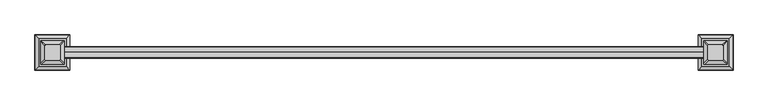
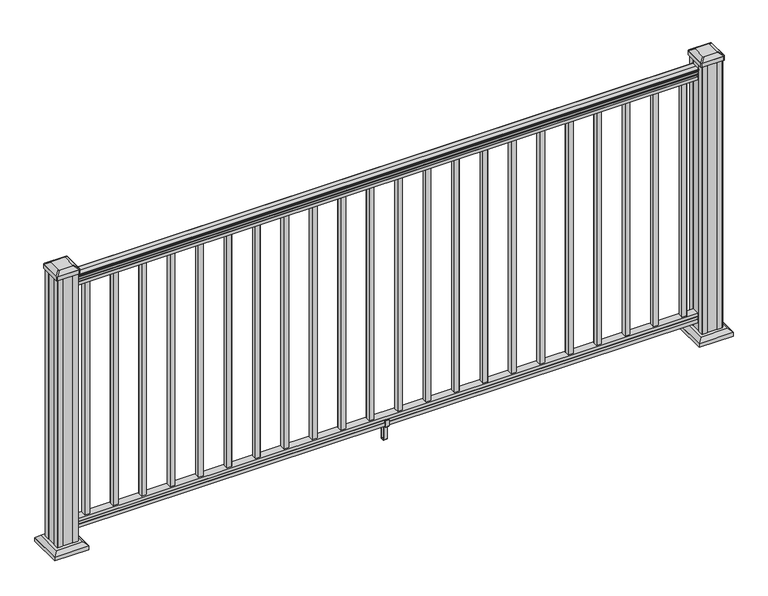
"""IFC4 building model written with IfcOpenShell, lengths in millimetres: railing geometry."""

from ifc_helpers import new_model, si_unit, point, frame, frame_2d, origin, origin_with_axes, place, context, project, spatial, polyline, circle_curve, trimmed, segment, composite_curve, outline, extrude, faceted_brep, source, transform, mapped, element, save
from ifc_brep_helpers import plane_surface, cylinder_surface, revolved_surface, extruded_surface, advanced_brep


def railing_2ec50359(model_context):
    return source(origin(), model_context, "Body", "SolidModel", [
        advanced_brep(
        [(14898.2844021, -7597.7092591, 1090.8043297), (14898.2844021, -7600.2830879, 1090.8043297), (14898.2844021, -7600.2830879, 1080.147013), (14898.2844021, -7599.2670879, 1079.131013), (14898.2844021, -7599.2670879, 1066.8), (14898.2844021, -7631.0170879, 1066.8), (14898.2844021, -7631.0170879, 1079.2888283), (14898.2844021, -7630.0010879, 1080.3048283), (14898.2844021, -7630.0010879, 1090.8043297), (14898.2844021, -7632.5749166, 1090.8043297), (14898.2844021, -7632.5749166, 1092.692412), (14898.2844021, -7633.7051029, 1094.2546695), (14898.2844021, -7633.7051029, 1101.4726458), (14898.2844021, -7633.0558465, 1103.9060812), (14898.2844021, -7635.5558465, 1108.2362083), (14898.2844021, -7636.9651889, 1109.9157972), (14898.2844021, -7637.3670879, 1111.0205318), (14898.2844021, -7637.3670879, 1112.3608158), (14898.2844021, -7635.8136406, 1113.914263), (14898.2844021, -7615.1420879, 1113.914263), (14898.2844021, -7594.4705351, 1113.914263), (14898.2844021, -7592.9170879, 1112.3608158), (14898.2844021, -7592.9170879, 1111.0205318), (14898.2844021, -7593.3189868, 1109.9157972), (14898.2844021, -7594.7283292, 1108.2362083), (14898.2844021, -7597.2283292, 1103.9060812), (14898.2844021, -7596.5790728, 1101.4726458), (14898.2844021, -7596.5790728, 1094.2546695), (14898.2844021, -7597.7092591, 1092.692412), (17336.6844021, -7597.7092591, 1090.8043297), (17336.6844021, -7597.7092591, 1092.692412), (17336.6844021, -7596.5790728, 1094.2546695), (17336.6844021, -7596.5790728, 1101.4726458), (17336.6844021, -7597.2283292, 1103.9060812), (17336.6844021, -7594.7283292, 1108.2362083), (17336.6844021, -7593.3189868, 1109.9157972), (17336.6844021, -7592.9170878, 1111.0205318), (17336.6844021, -7592.9170879, 1112.3608158), (17336.6844021, -7594.4705351, 1113.914263), (17336.6844021, -7615.1420879, 1113.914263), (17336.6844021, -7635.8136406, 1113.914263), (17336.6844021, -7637.3670879, 1112.3608158), (17336.6844021, -7637.3670879, 1111.0205318), (17336.6844021, -7636.9651889, 1109.9157972), (17336.6844021, -7635.5558465, 1108.2362083), (17336.6844021, -7633.0558465, 1103.9060812), (17336.6844021, -7633.7051029, 1101.4726458), (17336.6844021, -7633.7051029, 1094.2546695), (17336.6844021, -7632.5749166, 1092.692412), (17336.6844021, -7632.5749166, 1090.8043297), (17336.6844021, -7630.0010879, 1090.8043297), (17336.6844021, -7630.0010879, 1080.3048283), (17336.6844021, -7631.0170879, 1079.2888283), (17336.6844021, -7631.0170879, 1066.8), (17336.6844021, -7599.2670879, 1066.8), (17336.6844021, -7599.2670879, 1079.131013), (17336.6844021, -7600.2830879, 1080.147013), (17336.6844021, -7600.2830879, 1090.8043297)],
        [
            (0, 1, circle_curve(frame((14898.2844021, -7598.9961735, 1090.8043297), z_axis=(-1.0, 0.0, 0.0), x_axis=(0.0, -1.0, 0.0)), 1.2869144)),
            (1, 2),
            (2, 3),
            (3, 4),
            (4, 5),
            (5, 6),
            (6, 7),
            (7, 8),
            (8, 9, circle_curve(frame((14898.2844021, -7631.2880022, 1090.8043297), z_axis=(-1.0, 0.0, 0.0), x_axis=(0.0, 1.0, 0.0)), 1.2869144)),
            (9, 10),
            (10, 11, circle_curve(frame((14898.2844021, -7626.2601633, 1098.4506383), z_axis=(-1.0, 0.0, 0.0), x_axis=(0.0, 1.0, 0.0)), 8.545951)),
            (11, 12, circle_curve(frame((14898.2844021, -7626.6972263, 1097.8636577), z_axis=(-1.0, 0.0, 0.0), x_axis=(0.0, 1.0, 0.0)), 7.882584)),
            (12, 13, circle_curve(frame((14898.2844021, -7637.2105504, 1103.7112527), z_axis=(1.0, 0.0, 0.0), x_axis=(0.0, 1.0, 0.0)), 4.1592695)),
            (13, 14, circle_curve(frame((14898.2844021, -7638.497857, 1103.6508864), z_axis=(1.0, 0.0, 0.0), x_axis=(0.0, 1.0, 0.0)), 5.4479907)),
            (14, 15, circle_curve(frame((14898.2844021, -7637.2646985, 1108.233395), z_axis=(1.0, 0.0, 0.0), x_axis=(0.0, 1.0, 0.0)), 1.7088543)),
            (15, 16, circle_curve(frame((14898.2844021, -7635.6477984, 1111.0205318), z_axis=(-1.0, 0.0, 0.0), x_axis=(0.0, 1.0, 0.0)), 1.7192895)),
            (16, 17),
            (17, 18, circle_curve(frame((14898.2844021, -7635.8136406, 1112.3608158), z_axis=(-1.0, 0.0, 0.0), x_axis=(0.0, 1.0, 0.0)), 1.5534472)),
            (18, 19),
            (19, 20),
            (20, 21, circle_curve(frame((14898.2844021, -7594.4705351, 1112.3608158), z_axis=(-1.0, 0.0, 0.0), x_axis=(0.0, -1.0, 0.0)), 1.5534472)),
            (21, 22),
            (22, 23, circle_curve(frame((14898.2844021, -7594.6363773, 1111.0205318), z_axis=(-1.0, 0.0, 0.0), x_axis=(0.0, -1.0, 0.0)), 1.7192895)),
            (23, 24, circle_curve(frame((14898.2844021, -7593.0194772, 1108.233395), z_axis=(1.0, 0.0, 0.0), x_axis=(0.0, -1.0, 0.0)), 1.7088543)),
            (24, 25, circle_curve(frame((14898.2844021, -7591.7863188, 1103.6508864), z_axis=(1.0, 0.0, 0.0), x_axis=(0.0, -1.0, 0.0)), 5.4479907)),
            (25, 26, circle_curve(frame((14898.2844021, -7593.0736253, 1103.7112527), z_axis=(1.0, 0.0, 0.0), x_axis=(0.0, -1.0, 0.0)), 4.1592695)),
            (26, 27, circle_curve(frame((14898.2844021, -7603.5869494, 1097.8636577), z_axis=(-1.0, 0.0, 0.0), x_axis=(0.0, -1.0, 0.0)), 7.882584)),
            (27, 28, circle_curve(frame((14898.2844021, -7604.0240124, 1098.4506383), z_axis=(-1.0, 0.0, 0.0), x_axis=(0.0, -1.0, 0.0)), 8.545951)),
            (28, 0),
            (29, 30),
            (30, 31, circle_curve(frame((17336.6844021, -7604.0240124, 1098.4506383), z_axis=(1.0, 0.0, 0.0), x_axis=(0.0, -1.0, 0.0)), 8.545951)),
            (31, 32, circle_curve(frame((17336.6844021, -7603.5869494, 1097.8636577), z_axis=(1.0, 0.0, 0.0), x_axis=(0.0, -1.0, 0.0)), 7.882584)),
            (32, 33, circle_curve(frame((17336.6844021, -7593.0736253, 1103.7112527), z_axis=(-1.0, 0.0, 0.0), x_axis=(0.0, -1.0, 0.0)), 4.1592695)),
            (33, 34, circle_curve(frame((17336.6844021, -7591.7863188, 1103.6508864), z_axis=(-1.0, 0.0, 0.0), x_axis=(0.0, -1.0, 0.0)), 5.4479907)),
            (34, 35, circle_curve(frame((17336.6844021, -7593.0194772, 1108.233395), z_axis=(-1.0, 0.0, 0.0), x_axis=(0.0, -1.0, 0.0)), 1.7088543)),
            (35, 36, circle_curve(frame((17336.6844021, -7594.6363773, 1111.0205318), z_axis=(1.0, 0.0, 0.0), x_axis=(0.0, -1.0, 0.0)), 1.7192895)),
            (36, 37),
            (37, 38, circle_curve(frame((17336.6844021, -7594.4705351, 1112.3608158), z_axis=(1.0, 0.0, 0.0), x_axis=(0.0, -1.0, 0.0)), 1.5534472)),
            (38, 39),
            (39, 40),
            (40, 41, circle_curve(frame((17336.6844021, -7635.8136406, 1112.3608158), z_axis=(1.0, 0.0, 0.0), x_axis=(0.0, 1.0, 0.0)), 1.5534472)),
            (41, 42),
            (42, 43, circle_curve(frame((17336.6844021, -7635.6477984, 1111.0205318), z_axis=(1.0, 0.0, 0.0), x_axis=(0.0, 1.0, 0.0)), 1.7192895)),
            (43, 44, circle_curve(frame((17336.6844021, -7637.2646985, 1108.233395), z_axis=(-1.0, 0.0, 0.0), x_axis=(0.0, 1.0, 0.0)), 1.7088543)),
            (44, 45, circle_curve(frame((17336.6844021, -7638.497857, 1103.6508864), z_axis=(-1.0, 0.0, 0.0), x_axis=(0.0, 1.0, 0.0)), 5.4479907)),
            (45, 46, circle_curve(frame((17336.6844021, -7637.2105504, 1103.7112527), z_axis=(-1.0, 0.0, 0.0), x_axis=(0.0, 1.0, 0.0)), 4.1592695)),
            (46, 47, circle_curve(frame((17336.6844021, -7626.6972263, 1097.8636577), z_axis=(1.0, 0.0, 0.0), x_axis=(0.0, 1.0, 0.0)), 7.882584)),
            (47, 48, circle_curve(frame((17336.6844021, -7626.2601633, 1098.4506383), z_axis=(1.0, 0.0, 0.0), x_axis=(0.0, 1.0, 0.0)), 8.545951)),
            (48, 49),
            (49, 50, circle_curve(frame((17336.6844021, -7631.2880022, 1090.8043297), z_axis=(1.0, 0.0, 0.0), x_axis=(0.0, 1.0, 0.0)), 1.2869144)),
            (50, 51),
            (51, 52),
            (52, 53),
            (53, 54),
            (54, 55),
            (55, 56),
            (56, 57),
            (57, 29, circle_curve(frame((17336.6844021, -7598.9961735, 1090.8043297), z_axis=(1.0, 0.0, 0.0), x_axis=(0.0, -1.0, 0.0)), 1.2869144)),
            (0, 29),
            (57, 1),
            (56, 2),
            (55, 3),
            (54, 4),
            (53, 5),
            (52, 6),
            (51, 7),
            (50, 8),
            (49, 9),
            (48, 10),
            (47, 11),
            (46, 12),
            (45, 13),
            (44, 14),
            (43, 15),
            (42, 16),
            (41, 17),
            (40, 18),
            (39, 19),
            (38, 20),
            (37, 21),
            (36, 22),
            (35, 23),
            (34, 24),
            (33, 25),
            (32, 26),
            (31, 27),
            (30, 28),
        ],
        [
            plane_surface(frame((14898.2844021, -7615.1420879, 1066.8), z_axis=(-1.0, 0.0, 0.0), x_axis=(0.0, 1.0, 0.0))),
            plane_surface(frame((17336.6844021, -7615.1420879, 1066.8), z_axis=(1.0, 0.0, 0.0), x_axis=(0.0, 1.0, 0.0))),
            cylinder_surface(frame((14898.2844021, -7598.9961735, 1090.8043297), z_axis=(-1.0, 0.0, 0.0), x_axis=(0.0, -1.0, 0.0)), 1.2869144),
            plane_surface(frame((14898.2844021, -7600.2830879, 1090.8043297), z_axis=(0.0, 1.0, 0.0), x_axis=(1.0, 0.0, 0.0))),
            plane_surface(frame((14898.2844021, -7600.2830879, 1080.147013), z_axis=(0.0, 0.7071067811865395, 0.7071067811865556), x_axis=(1.0, 0.0, 0.0))),
            plane_surface(frame((14898.2844021, -7599.2670879, 1079.131013), z_axis=(0.0, 1.0, 0.0), x_axis=(1.0, 0.0, 0.0))),
            plane_surface(frame((14898.2844021, -7599.2670879, 1066.8), z_axis=(0.0, 0.0, -1.0), x_axis=(1.0, 0.0, 0.0))),
            plane_surface(frame((14898.2844021, -7631.0170879, 1066.8), z_axis=(0.0, -1.0, 0.0), x_axis=(1.0, 0.0, 0.0))),
            plane_surface(frame((14898.2844021, -7631.0170879, 1079.2888283), z_axis=(0.0, -0.7071067811865432, 0.707106781186552), x_axis=(1.0, 0.0, 0.0))),
            plane_surface(frame((14898.2844021, -7630.0010879, 1080.3048283), z_axis=(0.0, -1.0, 0.0), x_axis=(1.0, 0.0, 0.0))),
            cylinder_surface(frame((14898.2844021, -7631.2880022, 1090.8043297), z_axis=(-1.0, 0.0, 0.0), x_axis=(0.0, 1.0, 0.0)), 1.2869144),
            plane_surface(frame((14898.2844021, -7632.5749166, 1090.8043297), z_axis=(0.0, -1.0, 0.0), x_axis=(1.0, 0.0, 0.0))),
            cylinder_surface(frame((14898.2844021, -7626.2601633, 1098.4506383), z_axis=(-1.0, 0.0, 0.0), x_axis=(0.0, 1.0, 0.0)), 8.545951),
            cylinder_surface(frame((14898.2844021, -7626.6972263, 1097.8636577), z_axis=(-1.0, 0.0, 0.0), x_axis=(0.0, 1.0, 0.0)), 7.882584),
            revolved_surface(polyline([(17336.6844021, -7633.0512809, 1103.7112527), (14898.2844021, -7633.0512809, 1103.7112527)]), (14898.2844021, -7637.2105504, 1103.7112527), (1.0, 0.0, 0.0)),
            revolved_surface(polyline([(17336.6844021, -7633.0498663, 1103.6508864), (14898.2844021, -7633.0498663, 1103.6508864)]), (14898.2844021, -7638.497857, 1103.6508864), (1.0, 0.0, 0.0)),
            revolved_surface(polyline([(17336.6844021, -7635.5558442, 1108.233395), (14898.2844021, -7635.5558442, 1108.233395)]), (14898.2844021, -7637.2646985, 1108.233395), (1.0, 0.0, 0.0)),
            cylinder_surface(frame((14898.2844021, -7635.6477984, 1111.0205318), z_axis=(-1.0, 0.0, 0.0), x_axis=(0.0, 1.0, 0.0)), 1.7192895),
            plane_surface(frame((14898.2844021, -7637.3670879, 1111.0205318), z_axis=(0.0, -1.0, 0.0), x_axis=(1.0, 0.0, 0.0))),
            cylinder_surface(frame((14898.2844021, -7635.8136406, 1112.3608158), z_axis=(-1.0, 0.0, 0.0), x_axis=(0.0, 1.0, 0.0)), 1.5534472),
            plane_surface(frame((14898.2844021, -7635.8136406, 1113.914263), z_axis=(0.0, 0.0, 1.0), x_axis=(1.0, 0.0, 0.0))),
            plane_surface(frame((14898.2844021, -7615.1420879, 1113.914263), z_axis=(0.0, 0.0, 1.0), x_axis=(1.0, 0.0, 0.0))),
            cylinder_surface(frame((14898.2844021, -7594.4705351, 1112.3608158), z_axis=(-1.0, 0.0, 0.0), x_axis=(0.0, -1.0, 0.0)), 1.5534472),
            plane_surface(frame((14898.2844021, -7592.9170879, 1112.3608158), z_axis=(0.0, 1.0, 0.0), x_axis=(1.0, 0.0, 0.0))),
            cylinder_surface(frame((14898.2844021, -7594.6363773, 1111.0205318), z_axis=(-1.0, 0.0, 0.0), x_axis=(0.0, -1.0, 0.0)), 1.7192895),
            revolved_surface(polyline([(17336.6844021, -7594.7283315, 1108.233395), (14898.2844021, -7594.7283315, 1108.233395)]), (14898.2844021, -7593.0194772, 1108.233395), (1.0, 0.0, 0.0)),
            revolved_surface(polyline([(17336.6844021, -7597.234309500001, 1103.6508864), (14898.2844021, -7597.234309500001, 1103.6508864)]), (14898.2844021, -7591.7863188, 1103.6508864), (1.0, 0.0, 0.0)),
            revolved_surface(polyline([(17336.6844021, -7597.2328947999995, 1103.7112527), (14898.2844021, -7597.2328947999995, 1103.7112527)]), (14898.2844021, -7593.0736253, 1103.7112527), (1.0, 0.0, 0.0)),
            cylinder_surface(frame((14898.2844021, -7603.5869494, 1097.8636577), z_axis=(-1.0, 0.0, 0.0), x_axis=(0.0, -1.0, 0.0)), 7.882584),
            cylinder_surface(frame((14898.2844021, -7604.0240124, 1098.4506383), z_axis=(-1.0, 0.0, 0.0), x_axis=(0.0, -1.0, 0.0)), 8.545951),
            plane_surface(frame((14898.2844021, -7597.7092591, 1092.692412), z_axis=(0.0, 1.0, 0.0), x_axis=(1.0, 0.0, 0.0))),
        ],
        [
            (0, [[1, 2, 3, 4, 5, 6, 7, 8, 9, 10, 11, 12, 13, 14, 15, 16, 17, 18, 19, 20, 21, 22, 23, 24, 25, 26, 27, 28, 29]]),
            (1, [[30, 31, 32, 33, 34, 35, 36, 37, 38, 39, 40, 41, 42, 43, 44, 45, 46, 47, 48, 49, 50, 51, 52, 53, 54, 55, 56, 57, 58]]),
            (2, [[-1, 59, -58, 60]]),
            (3, [[-2, -60, -57, 61]]),
            (4, [[-3, -61, -56, 62]]),
            (5, [[-4, -62, -55, 63]]),
            (6, [[-5, -63, -54, 64]]),
            (7, [[-6, -64, -53, 65]]),
            (8, [[-7, -65, -52, 66]]),
            (9, [[-8, -66, -51, 67]]),
            (10, [[-9, -67, -50, 68]]),
            (11, [[-10, -68, -49, 69]]),
            (12, [[-11, -69, -48, 70]]),
            (13, [[-12, -70, -47, 71]]),
            (14, [[-13, -71, -46, 72]]),
            (15, [[-14, -72, -45, 73]]),
            (16, [[-15, -73, -44, 74]]),
            (17, [[-16, -74, -43, 75]]),
            (18, [[-17, -75, -42, 76]]),
            (19, [[-18, -76, -41, 77]]),
            (20, [[-19, -77, -40, 78]]),
            (21, [[-20, -78, -39, 79]]),
            (22, [[-21, -79, -38, 80]]),
            (23, [[-22, -80, -37, 81]]),
            (24, [[-23, -81, -36, 82]]),
            (25, [[-24, -82, -35, 83]]),
            (26, [[-25, -83, -34, 84]]),
            (27, [[-26, -84, -33, 85]]),
            (28, [[-27, -85, -32, 86]]),
            (29, [[-28, -86, -31, 87]]),
            (30, [[-29, -87, -30, -59]]),
        ],
    ),
        faceted_brep([(14898.2844021, -7599.229601, 76.0541976), (14898.2844021, -7599.229601, 63.5), (14898.2844021, -7630.979601, 63.5), (14898.2844021, -7630.979601, 76.0375508), (14898.2844021, -7629.963601, 77.3858283), (14898.2844021, -7629.963601, 87.6975248), (14898.2844021, -7630.979601, 89.0458024), (14898.2844021, -7630.979601, 101.5958781), (14898.2844021, -7599.229601, 101.5958781), (14898.2844021, -7599.229601, 89.0624492), (14898.2844021, -7600.245601, 87.7141717), (14898.2844021, -7600.245601, 77.3546183), (17336.6844021, -7599.229601, 76.0541976), (17336.6844021, -7600.245601, 77.3546183), (17336.6844021, -7600.245601, 87.7141717), (17336.6844021, -7599.229601, 89.0624492), (17336.6844021, -7599.229601, 101.5958781), (17336.6844021, -7630.979601, 101.5958781), (17336.6844021, -7630.979601, 89.0458024), (17336.6844021, -7629.963601, 87.6975248), (17336.6844021, -7629.963601, 77.3858283), (17336.6844021, -7630.979601, 76.0375508), (17336.6844021, -7630.979601, 63.5), (17336.6844021, -7599.229601, 63.5)], [[[0, 1, 2, 3, 4, 5, 6, 7, 8, 9, 10, 11]], [[12, 13, 14, 15, 16, 17, 18, 19, 20, 21, 22, 23]], [[1, 0, 12, 23]], [[2, 1, 23, 22]], [[3, 2, 22, 21]], [[4, 3, 21, 20]], [[5, 4, 20, 19]], [[6, 5, 19, 18]], [[7, 6, 18, 17]], [[8, 7, 17, 16]], [[9, 8, 16, 15]], [[10, 9, 15, 14]], [[11, 10, 14, 13]], [[0, 11, 13, 12]]]),
        extrude(outline(polyline([(17277.3754021, -7605.6170879), (17296.4254021, -7605.6170879), (17296.4254021, -7624.6670879), (17277.3754021, -7624.6670879), (17277.3754021, -7605.6170879)]), holes=[polyline([(17277.7722771, -7606.0139629), (17277.7722771, -7624.2702129), (17296.0285271, -7624.2702129), (17296.0285271, -7606.0139629), (17277.7722771, -7606.0139629)])]), frame((0.0, 0.0, 101.5958781), z_axis=(0.0, 0.0, 1.0), x_axis=(1.0, 0.0, 0.0)), (0.0, 0.0, 1.0), 965.2041219),
        extrude(outline(polyline([(17166.1234021, -7605.6170879), (17185.1734021, -7605.6170879), (17185.1734021, -7624.6670879), (17166.1234021, -7624.6670879), (17166.1234021, -7605.6170879)]), holes=[polyline([(17166.5202771, -7606.0139629), (17166.5202771, -7624.2702129), (17184.7765271, -7624.2702129), (17184.7765271, -7606.0139629), (17166.5202771, -7606.0139629)])]), frame((0.0, 0.0, 101.5958781), z_axis=(0.0, 0.0, 1.0), x_axis=(1.0, 0.0, 0.0)), (0.0, 0.0, 1.0), 965.2041219),
        extrude(outline(polyline([(17054.8714021, -7605.6170879), (17073.9214021, -7605.6170879), (17073.9214021, -7624.6670879), (17054.8714021, -7624.6670879), (17054.8714021, -7605.6170879)]), holes=[polyline([(17055.2682771, -7606.0139629), (17055.2682771, -7624.2702129), (17073.5245271, -7624.2702129), (17073.5245271, -7606.0139629), (17055.2682771, -7606.0139629)])]), frame((0.0, 0.0, 101.5958781), z_axis=(0.0, 0.0, 1.0), x_axis=(1.0, 0.0, 0.0)), (0.0, 0.0, 1.0), 965.2041219),
        extrude(outline(polyline([(16943.6194021, -7605.6170879), (16962.6694021, -7605.6170879), (16962.6694021, -7624.6670879), (16943.6194021, -7624.6670879), (16943.6194021, -7605.6170879)]), holes=[polyline([(16944.0162771, -7606.0139629), (16944.0162771, -7624.2702129), (16962.2725271, -7624.2702129), (16962.2725271, -7606.0139629), (16944.0162771, -7606.0139629)])]), frame((0.0, 0.0, 101.5958781), z_axis=(0.0, 0.0, 1.0), x_axis=(1.0, 0.0, 0.0)), (0.0, 0.0, 1.0), 965.2041219),
        extrude(outline(polyline([(16832.3674021, -7605.6170879), (16851.4174021, -7605.6170879), (16851.4174021, -7624.6670879), (16832.3674021, -7624.6670879), (16832.3674021, -7605.6170879)]), holes=[polyline([(16832.7642771, -7606.0139629), (16832.7642771, -7624.2702129), (16851.0205271, -7624.2702129), (16851.0205271, -7606.0139629), (16832.7642771, -7606.0139629)])]), frame((0.0, 0.0, 101.5958781), z_axis=(0.0, 0.0, 1.0), x_axis=(1.0, 0.0, 0.0)), (0.0, 0.0, 1.0), 965.2041219),
        extrude(outline(polyline([(16721.1154021, -7605.6170879), (16740.1654021, -7605.6170879), (16740.1654021, -7624.6670879), (16721.1154021, -7624.6670879), (16721.1154021, -7605.6170879)]), holes=[polyline([(16721.5122771, -7606.0139629), (16721.5122771, -7624.2702129), (16739.7685271, -7624.2702129), (16739.7685271, -7606.0139629), (16721.5122771, -7606.0139629)])]), frame((0.0, 0.0, 101.5958781), z_axis=(0.0, 0.0, 1.0), x_axis=(1.0, 0.0, 0.0)), (0.0, 0.0, 1.0), 965.2041219),
        extrude(outline(polyline([(16609.8634021, -7605.6170879), (16628.9134021, -7605.6170879), (16628.9134021, -7624.6670879), (16609.8634021, -7624.6670879), (16609.8634021, -7605.6170879)]), holes=[polyline([(16610.2602771, -7606.0139629), (16610.2602771, -7624.2702129), (16628.5165271, -7624.2702129), (16628.5165271, -7606.0139629), (16610.2602771, -7606.0139629)])]), frame((0.0, 0.0, 101.5958781), z_axis=(0.0, 0.0, 1.0), x_axis=(1.0, 0.0, 0.0)), (0.0, 0.0, 1.0), 965.2041219),
        extrude(outline(polyline([(16498.6114021, -7605.6170879), (16517.6614021, -7605.6170879), (16517.6614021, -7624.6670879), (16498.6114021, -7624.6670879), (16498.6114021, -7605.6170879)]), holes=[polyline([(16499.0082771, -7606.0139629), (16499.0082771, -7624.2702129), (16517.2645271, -7624.2702129), (16517.2645271, -7606.0139629), (16499.0082771, -7606.0139629)])]), frame((0.0, 0.0, 101.5958781), z_axis=(0.0, 0.0, 1.0), x_axis=(1.0, 0.0, 0.0)), (0.0, 0.0, 1.0), 965.2041219),
        extrude(outline(polyline([(16387.3594021, -7605.6170879), (16406.4094021, -7605.6170879), (16406.4094021, -7624.6670879), (16387.3594021, -7624.6670879), (16387.3594021, -7605.6170879)]), holes=[polyline([(16387.7562771, -7606.0139629), (16387.7562771, -7624.2702129), (16406.0125271, -7624.2702129), (16406.0125271, -7606.0139629), (16387.7562771, -7606.0139629)])]), frame((0.0, 0.0, 101.5958781), z_axis=(0.0, 0.0, 1.0), x_axis=(1.0, 0.0, 0.0)), (0.0, 0.0, 1.0), 965.2041219),
        extrude(outline(polyline([(16276.1074021, -7605.6170879), (16295.1574021, -7605.6170879), (16295.1574021, -7624.6670879), (16276.1074021, -7624.6670879), (16276.1074021, -7605.6170879)]), holes=[polyline([(16276.5042771, -7606.0139629), (16276.5042771, -7624.2702129), (16294.7605271, -7624.2702129), (16294.7605271, -7606.0139629), (16276.5042771, -7606.0139629)])]), frame((0.0, 0.0, 101.5958781), z_axis=(0.0, 0.0, 1.0), x_axis=(1.0, 0.0, 0.0)), (0.0, 0.0, 1.0), 965.2041219),
        extrude(outline(polyline([(16164.8554021, -7605.6170879), (16183.9054021, -7605.6170879), (16183.9054021, -7624.6670879), (16164.8554021, -7624.6670879), (16164.8554021, -7605.6170879)]), holes=[polyline([(16165.2522771, -7606.0139629), (16165.2522771, -7624.2702129), (16183.5085271, -7624.2702129), (16183.5085271, -7606.0139629), (16165.2522771, -7606.0139629)])]), frame((0.0, 0.0, 101.5958781), z_axis=(0.0, 0.0, 1.0), x_axis=(1.0, 0.0, 0.0)), (0.0, 0.0, 1.0), 965.2041219),
        extrude(outline(polyline([(-7633.3030867, 88.7203979), (-7631.2710871, 88.7203979), (-7630.2550873, 87.7043953), (-7630.2550873, 77.2686081), (-7631.2710871, 76.2526073), (-7631.2710871, 64.262001), (-7630.509088, 63.5000019), (-7599.7750868, 63.5000019), (-7599.0130877, 64.262001), (-7599.0130877, 76.2526073), (-7600.0290875, 77.2686081), (-7600.0290875, 87.7043953), (-7599.0130877, 88.7203979), (-7596.9810881, 88.7203979), (-7596.2190871, 87.9583969), (-7596.2190871, 61.4680023), (-7596.9810881, 60.7060013), (-7607.0140871, 60.7060013), (-7607.7760872, 59.9440012), (-7607.7760872, 0.762001), (-7608.5380883, 0.0), (-7621.7460875, 0.0), (-7622.5080876, 0.7620001), (-7622.5080876, 59.9440012), (-7623.2700877, 60.7060013), (-7633.3030867, 60.7060013), (-7634.0650877, 61.4680023), (-7634.0650877, 87.9583969), (-7633.3030867, 88.7203979)]), holes=[polyline([(-7611.7130875, 60.7060013), (-7618.5710873, 60.7060013), (-7619.3330874, 59.9440012), (-7619.3330874, 3.9370003), (-7618.5710902, 3.1750031), (-7611.7130875, 3.1750031), (-7610.9510874, 3.9370031), (-7610.9510874, 59.9440012), (-7611.7130875, 60.7060013)])]), frame((16111.3884021, 0.0, 0.0), z_axis=(1.0, 0.0, 0.0), x_axis=(0.0, 1.0, 0.0)), (0.0, 0.0, 1.0), 14.732),
        extrude(outline(polyline([(16053.6034021, -7605.6170879), (16072.6534021, -7605.6170879), (16072.6534021, -7624.6670879), (16053.6034021, -7624.6670879), (16053.6034021, -7605.6170879)]), holes=[polyline([(16054.0002771, -7606.0139629), (16054.0002771, -7624.2702129), (16072.2565271, -7624.2702129), (16072.2565271, -7606.0139629), (16054.0002771, -7606.0139629)])]), frame((0.0, 0.0, 101.5958781), z_axis=(0.0, 0.0, 1.0), x_axis=(1.0, 0.0, 0.0)), (0.0, 0.0, 1.0), 965.2041219),
        extrude(outline(polyline([(15942.3514021, -7605.6170879), (15961.4014021, -7605.6170879), (15961.4014021, -7624.6670879), (15942.3514021, -7624.6670879), (15942.3514021, -7605.6170879)]), holes=[polyline([(15942.7482771, -7606.0139629), (15942.7482771, -7624.2702129), (15961.0045271, -7624.2702129), (15961.0045271, -7606.0139629), (15942.7482771, -7606.0139629)])]), frame((0.0, 0.0, 101.5958781), z_axis=(0.0, 0.0, 1.0), x_axis=(1.0, 0.0, 0.0)), (0.0, 0.0, 1.0), 965.2041219),
        extrude(outline(polyline([(15831.0994021, -7605.6170879), (15850.1494021, -7605.6170879), (15850.1494021, -7624.6670879), (15831.0994021, -7624.6670879), (15831.0994021, -7605.6170879)]), holes=[polyline([(15831.4962771, -7606.0139629), (15831.4962771, -7624.2702129), (15849.7525271, -7624.2702129), (15849.7525271, -7606.0139629), (15831.4962771, -7606.0139629)])]), frame((0.0, 0.0, 101.5958781), z_axis=(0.0, 0.0, 1.0), x_axis=(1.0, 0.0, 0.0)), (0.0, 0.0, 1.0), 965.2041219),
        extrude(outline(polyline([(15719.8474021, -7605.6170879), (15738.8974021, -7605.6170879), (15738.8974021, -7624.6670879), (15719.8474021, -7624.6670879), (15719.8474021, -7605.6170879)]), holes=[polyline([(15720.2442771, -7606.0139629), (15720.2442771, -7624.2702129), (15738.5005271, -7624.2702129), (15738.5005271, -7606.0139629), (15720.2442771, -7606.0139629)])]), frame((0.0, 0.0, 101.5958781), z_axis=(0.0, 0.0, 1.0), x_axis=(1.0, 0.0, 0.0)), (0.0, 0.0, 1.0), 965.2041219),
        extrude(outline(polyline([(15608.5954021, -7605.6170879), (15627.6454021, -7605.6170879), (15627.6454021, -7624.6670879), (15608.5954021, -7624.6670879), (15608.5954021, -7605.6170879)]), holes=[polyline([(15608.9922771, -7606.0139629), (15608.9922771, -7624.2702129), (15627.2485271, -7624.2702129), (15627.2485271, -7606.0139629), (15608.9922771, -7606.0139629)])]), frame((0.0, 0.0, 101.5958781), z_axis=(0.0, 0.0, 1.0), x_axis=(1.0, 0.0, 0.0)), (0.0, 0.0, 1.0), 965.2041219),
        extrude(outline(polyline([(15497.3434021, -7605.6170879), (15516.3934021, -7605.6170879), (15516.3934021, -7624.6670879), (15497.3434021, -7624.6670879), (15497.3434021, -7605.6170879)]), holes=[polyline([(15497.7402771, -7606.0139629), (15497.7402771, -7624.2702129), (15515.9965271, -7624.2702129), (15515.9965271, -7606.0139629), (15497.7402771, -7606.0139629)])]), frame((0.0, 0.0, 101.5958781), z_axis=(0.0, 0.0, 1.0), x_axis=(1.0, 0.0, 0.0)), (0.0, 0.0, 1.0), 965.2041219),
        extrude(outline(polyline([(15386.0914021, -7605.6170879), (15405.1414021, -7605.6170879), (15405.1414021, -7624.6670879), (15386.0914021, -7624.6670879), (15386.0914021, -7605.6170879)]), holes=[polyline([(15386.4882771, -7606.0139629), (15386.4882771, -7624.2702129), (15404.7445271, -7624.2702129), (15404.7445271, -7606.0139629), (15386.4882771, -7606.0139629)])]), frame((0.0, 0.0, 101.5958781), z_axis=(0.0, 0.0, 1.0), x_axis=(1.0, 0.0, 0.0)), (0.0, 0.0, 1.0), 965.2041219),
        extrude(outline(polyline([(15274.8394021, -7605.6170879), (15293.8894021, -7605.6170879), (15293.8894021, -7624.6670879), (15274.8394021, -7624.6670879), (15274.8394021, -7605.6170879)]), holes=[polyline([(15275.2362771, -7606.0139629), (15275.2362771, -7624.2702129), (15293.4925271, -7624.2702129), (15293.4925271, -7606.0139629), (15275.2362771, -7606.0139629)])]), frame((0.0, 0.0, 101.5958781), z_axis=(0.0, 0.0, 1.0), x_axis=(1.0, 0.0, 0.0)), (0.0, 0.0, 1.0), 965.2041219),
        extrude(outline(polyline([(15163.5874021, -7605.6170879), (15182.6374021, -7605.6170879), (15182.6374021, -7624.6670879), (15163.5874021, -7624.6670879), (15163.5874021, -7605.6170879)]), holes=[polyline([(15163.9842771, -7606.0139629), (15163.9842771, -7624.2702129), (15182.2405271, -7624.2702129), (15182.2405271, -7606.0139629), (15163.9842771, -7606.0139629)])]), frame((0.0, 0.0, 101.5958781), z_axis=(0.0, 0.0, 1.0), x_axis=(1.0, 0.0, 0.0)), (0.0, 0.0, 1.0), 965.2041219),
        extrude(outline(polyline([(15052.3354021, -7605.6170879), (15071.3854021, -7605.6170879), (15071.3854021, -7624.6670879), (15052.3354021, -7624.6670879), (15052.3354021, -7605.6170879)]), holes=[polyline([(15052.7322771, -7606.0139629), (15052.7322771, -7624.2702129), (15070.9885271, -7624.2702129), (15070.9885271, -7606.0139629), (15052.7322771, -7606.0139629)])]), frame((0.0, 0.0, 101.5958781), z_axis=(0.0, 0.0, 1.0), x_axis=(1.0, 0.0, 0.0)), (0.0, 0.0, 1.0), 965.2041219),
        extrude(outline(polyline([(14941.0834021, -7605.6170879), (14960.1334021, -7605.6170879), (14960.1334021, -7624.6670879), (14941.0834021, -7624.6670879), (14941.0834021, -7605.6170879)]), holes=[polyline([(14941.4802771, -7606.0139629), (14941.4802771, -7624.2702129), (14959.7365271, -7624.2702129), (14959.7365271, -7606.0139629), (14941.4802771, -7606.0139629)])]), frame((0.0, 0.0, 101.5958781), z_axis=(0.0, 0.0, 1.0), x_axis=(1.0, 0.0, 0.0)), (0.0, 0.0, 1.0), 965.2041219),
        faceted_brep([(17325.5004646, -7562.5561504, 28.575), (17325.5004646, -7667.7280254, 28.575), (17430.6723396, -7667.7280254, 28.575), (17430.6723396, -7562.5561504, 28.575), (17311.4610115, -7548.5166972, 15.24), (17444.7117927, -7548.5166972, 15.24), (17444.7117927, -7681.7674785, 15.24), (17311.4610115, -7681.7674785, 15.24)], [[[0, 1, 2, 3]], [[4, 5, 6, 7]], [[4, 7, 1, 0]], [[7, 6, 2, 1]], [[6, 5, 3, 2]], [[5, 4, 0, 3]]]),
        extrude(outline(polyline([(17311.4610115, -7548.5166972), (17444.7117927, -7548.5166972), (17444.7117927, -7681.7674785), (17311.4610115, -7681.7674785), (17311.4610115, -7548.5166972)])), origin_with_axes(), (0.0, 0.0, 1.0), 15.24),
        advanced_brep(
        [(17349.1145271, -7640.9389629, 1165.225), (17352.2895271, -7644.1139629, 1165.225), (17403.8832771, -7644.1139629, 1165.225), (17407.0582771, -7640.9389629, 1165.225), (17407.0582771, -7589.3452129, 1165.225), (17403.8832771, -7586.1702129, 1165.225), (17352.2895271, -7586.1702129, 1165.225), (17349.1145271, -7589.3452129, 1165.225), (17332.8426521, -7657.2108379, 1153.922), (17332.8426521, -7573.0733379, 1153.922), (17336.0176521, -7569.8983379, 1153.922), (17420.1551521, -7569.8983379, 1153.922), (17423.3301521, -7573.0733379, 1153.922), (17423.3301521, -7657.2108379, 1153.922), (17420.1551521, -7660.3858379, 1153.922), (17336.0176521, -7660.3858379, 1153.922)],
        [
            (0, 1, circle_curve(frame((17352.2895271, -7640.9389629, 1165.225), z_axis=(0.0, 0.0, 1.0), x_axis=(1.0, 0.0, 0.0)), 3.175)),
            (1, 2),
            (2, 3, circle_curve(frame((17403.8832771, -7640.9389629, 1165.225), z_axis=(0.0, 0.0, 1.0), x_axis=(1.0, 0.0, 0.0)), 3.175)),
            (3, 4),
            (4, 5, circle_curve(frame((17403.8832771, -7589.3452129, 1165.225), z_axis=(0.0, 0.0, 1.0), x_axis=(1.0, 0.0, 0.0)), 3.175)),
            (5, 6),
            (6, 7, circle_curve(frame((17352.2895271, -7589.3452129, 1165.225), z_axis=(0.0, 0.0, 1.0), x_axis=(1.0, 0.0, 0.0)), 3.175)),
            (7, 0),
            (8, 9),
            (9, 10, circle_curve(frame((17336.0176521, -7573.0733379, 1153.922), z_axis=(0.0, 0.0, -1.0), x_axis=(1.0, 0.0, 0.0)), 3.175)),
            (10, 11),
            (11, 12, circle_curve(frame((17420.1551521, -7573.0733379, 1153.922), z_axis=(0.0, 0.0, -1.0), x_axis=(1.0, 0.0, 0.0)), 3.175)),
            (12, 13),
            (13, 14, circle_curve(frame((17420.1551521, -7657.2108379, 1153.922), z_axis=(0.0, 0.0, -1.0), x_axis=(1.0, 0.0, 0.0)), 3.175)),
            (14, 15),
            (15, 8, circle_curve(frame((17336.0176521, -7657.2108379, 1153.922), z_axis=(0.0, 0.0, -1.0), x_axis=(1.0, 0.0, 0.0)), 3.175)),
            (15, 1),
            (0, 8),
            (14, 2),
            (13, 3),
            (12, 4),
            (11, 5),
            (10, 6),
            (9, 7),
        ],
        [
            plane_surface(frame((17378.0864021, -7615.1420879, 1165.225), z_axis=(0.0, 0.0, 1.0), x_axis=(0.0, -1.0, 0.0))),
            plane_surface(frame((17378.0864021, -7615.1420879, 1153.922), z_axis=(0.0, 0.0, -1.0), x_axis=(0.0, -1.0, 0.0))),
            extruded_surface(trimmed(circle_curve(frame((17336.0176521, -7657.2108379, 1153.922), z_axis=(0.0, 0.0, 1.0), x_axis=(1.0, 0.0, 0.0)), 3.175), [point((17332.8426521, -7657.2108379, 1153.922))], [point((17336.0176521, -7660.3858379, 1153.922))], True, "CARTESIAN"), (16.271875000002183, 16.271875000000364, 11.302999999999884), 25.637972638867726),
            plane_surface(frame((17378.0864021, -7660.3858379, 1153.922), z_axis=(0.0, -0.5705009161540777, 0.8212969649690409), x_axis=(1.0, 0.0, 0.0))),
            extruded_surface(trimmed(circle_curve(frame((17420.1551521, -7657.2108379, 1153.922), z_axis=(0.0, 0.0, 1.0), x_axis=(1.0, 0.0, 0.0)), 3.175), [point((17420.1551521, -7660.3858379, 1153.922))], [point((17423.3301521, -7657.2108379, 1153.922))], True, "CARTESIAN"), (-16.271874999998545, 16.271875000000364, 11.302999999999884), 25.63797263886542),
            plane_surface(frame((17423.3301521, -7615.1420879, 1153.922), z_axis=(0.5705009161540291, 0.0, 0.8212969649690747), x_axis=(0.0, 1.0, 0.0))),
            extruded_surface(trimmed(circle_curve(frame((17420.1551521, -7573.0733379, 1153.922), z_axis=(0.0, 0.0, 1.0), x_axis=(1.0, 0.0, 0.0)), 3.175), [point((17423.3301521, -7573.0733379, 1153.922))], [point((17420.1551521, -7569.8983379, 1153.922))], True, "CARTESIAN"), (-16.271874999998545, -16.271874999999454, 11.302999999999884), 25.63797263886484),
            plane_surface(frame((17378.0864021, -7569.8983379, 1153.922), z_axis=(0.0, 0.5705009161540143, 0.821296964969085), x_axis=(-1.0, 0.0, 0.0))),
            extruded_surface(trimmed(circle_curve(frame((17336.0176521, -7573.0733379, 1153.922), z_axis=(0.0, 0.0, 1.0), x_axis=(1.0, 0.0, 0.0)), 3.175), [point((17336.0176521, -7569.8983379, 1153.922))], [point((17332.8426521, -7573.0733379, 1153.922))], True, "CARTESIAN"), (16.271875000002183, -16.271874999999454, 11.302999999999884), 25.63797263886715),
            plane_surface(frame((17332.8426521, -7615.1420879, 1153.922), z_axis=(-0.570500916154034, 0.0, 0.8212969649690713), x_axis=(0.0, -1.0, 0.0))),
        ],
        [
            (0, [[1, 2, 3, 4, 5, 6, 7, 8]]),
            (1, [[9, 10, 11, 12, 13, 14, 15, 16]]),
            (2, [[-16, 17, -1, 18]]),
            (3, [[-15, 19, -2, -17]]),
            (4, [[-14, 20, -3, -19]]),
            (5, [[-13, 21, -4, -20]]),
            (6, [[-12, 22, -5, -21]]),
            (7, [[-11, 23, -6, -22]]),
            (8, [[-10, 24, -7, -23]]),
            (9, [[-9, -18, -8, -24]]),
        ],
    ),
        extrude(outline(composite_curve([segment(polyline([(17332.8426521, -7657.2108379), (17332.8426521, -7573.0733379)]), True, "CONTINUOUS"), segment(trimmed(circle_curve(frame_2d((17336.0176521, -7573.0733379)), 3.175), [point((17332.8426521, -7573.0733379))], [point((17336.0176521, -7569.8983379))], False, "CARTESIAN"), True, "CONTINUOUS"), segment(polyline([(17336.0176521, -7569.8983379), (17420.1551521, -7569.8983379)]), True, "CONTINUOUS"), segment(trimmed(circle_curve(frame_2d((17420.1551521, -7573.0733379)), 3.175), [point((17420.1551521, -7569.8983379))], [point((17423.3301521, -7573.0733379))], False, "CARTESIAN"), True, "CONTINUOUS"), segment(polyline([(17423.3301521, -7573.0733379), (17423.3301521, -7657.2108379)]), True, "CONTINUOUS"), segment(trimmed(circle_curve(frame_2d((17420.1551521, -7657.2108379)), 3.175), [point((17423.3301521, -7657.2108379))], [point((17420.1551521, -7660.3858379))], False, "CARTESIAN"), True, "CONTINUOUS"), segment(polyline([(17420.1551521, -7660.3858379), (17336.0176521, -7660.3858379)]), True, "CONTINUOUS"), segment(trimmed(circle_curve(frame_2d((17336.0176521, -7657.2108379)), 3.175), [point((17336.0176521, -7660.3858379))], [point((17332.8426521, -7657.2108379))], False, "CARTESIAN"), True, "CONTINUOUS")], self_intersect=False)), frame((0.0, 0.0, 1136.65), z_axis=(0.0, 0.0, 1.0), x_axis=(1.0, 0.0, 0.0)), (0.0, 0.0, 1.0), 17.272),
        extrude(outline(polyline([(17336.8114021, -7654.8295879), (17336.8114021, -7635.2080879), (17338.3989021, -7634.4460879), (17338.3989021, -7595.8380879), (17336.8114021, -7595.0760879), (17336.8114021, -7575.4545879), (17338.3989021, -7573.8670879), (17358.0204021, -7573.8670879), (17358.7824021, -7575.4545879), (17397.3904021, -7575.4545879), (17398.1524021, -7573.8670879), (17417.7739021, -7573.8670879), (17419.3614021, -7575.4545879), (17419.3614021, -7595.0760879), (17417.7739021, -7595.8380879), (17417.7739021, -7634.4460879), (17419.3614021, -7635.2080879), (17419.3614021, -7654.8295879), (17417.7739021, -7656.4170879), (17398.1524021, -7656.4170879), (17397.3904021, -7654.8295879), (17358.7824021, -7654.8295879), (17358.0204021, -7656.4170879), (17338.3989021, -7656.4170879), (17336.8114021, -7654.8295879)])), origin_with_axes(), (0.0, 0.0, 1.0), 1136.65),
        faceted_brep([(14804.2964646, -7562.5561504, 28.575), (14804.2964646, -7667.7280254, 28.575), (14909.4683396, -7667.7280254, 28.575), (14909.4683396, -7562.5561504, 28.575), (14790.2570115, -7548.5166972, 15.24), (14923.5077927, -7548.5166972, 15.24), (14923.5077927, -7681.7674785, 15.24), (14790.2570115, -7681.7674785, 15.24)], [[[0, 1, 2, 3]], [[4, 5, 6, 7]], [[4, 7, 1, 0]], [[7, 6, 2, 1]], [[6, 5, 3, 2]], [[5, 4, 0, 3]]]),
        extrude(outline(polyline([(14790.2570115, -7548.5166972), (14923.5077927, -7548.5166972), (14923.5077927, -7681.7674785), (14790.2570115, -7681.7674785), (14790.2570115, -7548.5166972)])), origin_with_axes(), (0.0, 0.0, 1.0), 15.24),
        advanced_brep(
        [(14827.9105271, -7640.9389629, 1165.225), (14831.0855271, -7644.1139629, 1165.225), (14882.6792771, -7644.1139629, 1165.225), (14885.8542771, -7640.9389629, 1165.225), (14885.8542771, -7589.3452129, 1165.225), (14882.6792771, -7586.1702129, 1165.225), (14831.0855271, -7586.1702129, 1165.225), (14827.9105271, -7589.3452129, 1165.225), (14811.6386521, -7657.2108379, 1153.922), (14811.6386521, -7573.0733379, 1153.922), (14814.8136521, -7569.8983379, 1153.922), (14898.9511521, -7569.8983379, 1153.922), (14902.1261521, -7573.0733379, 1153.922), (14902.1261521, -7657.2108379, 1153.922), (14898.9511521, -7660.3858379, 1153.922), (14814.8136521, -7660.3858379, 1153.922)],
        [
            (0, 1, circle_curve(frame((14831.0855271, -7640.9389629, 1165.225), z_axis=(0.0, 0.0, 1.0), x_axis=(1.0, 0.0, 0.0)), 3.175)),
            (1, 2),
            (2, 3, circle_curve(frame((14882.6792771, -7640.9389629, 1165.225), z_axis=(0.0, 0.0, 1.0), x_axis=(1.0, 0.0, 0.0)), 3.175)),
            (3, 4),
            (4, 5, circle_curve(frame((14882.6792771, -7589.3452129, 1165.225), z_axis=(0.0, 0.0, 1.0), x_axis=(1.0, 0.0, 0.0)), 3.175)),
            (5, 6),
            (6, 7, circle_curve(frame((14831.0855271, -7589.3452129, 1165.225), z_axis=(0.0, 0.0, 1.0), x_axis=(1.0, 0.0, 0.0)), 3.175)),
            (7, 0),
            (8, 9),
            (9, 10, circle_curve(frame((14814.8136521, -7573.0733379, 1153.922), z_axis=(0.0, 0.0, -1.0), x_axis=(1.0, 0.0, 0.0)), 3.175)),
            (10, 11),
            (11, 12, circle_curve(frame((14898.9511521, -7573.0733379, 1153.922), z_axis=(0.0, 0.0, -1.0), x_axis=(1.0, 0.0, 0.0)), 3.175)),
            (12, 13),
            (13, 14, circle_curve(frame((14898.9511521, -7657.2108379, 1153.922), z_axis=(0.0, 0.0, -1.0), x_axis=(1.0, 0.0, 0.0)), 3.175)),
            (14, 15),
            (15, 8, circle_curve(frame((14814.8136521, -7657.2108379, 1153.922), z_axis=(0.0, 0.0, -1.0), x_axis=(1.0, 0.0, 0.0)), 3.175)),
            (15, 1),
            (0, 8),
            (14, 2),
            (13, 3),
            (12, 4),
            (11, 5),
            (10, 6),
            (9, 7),
        ],
        [
            plane_surface(frame((14856.8824021, -7615.1420879, 1165.225), z_axis=(0.0, 0.0, 1.0), x_axis=(0.0, -1.0, 0.0))),
            plane_surface(frame((14856.8824021, -7615.1420879, 1153.922), z_axis=(0.0, 0.0, -1.0), x_axis=(0.0, -1.0, 0.0))),
            extruded_surface(trimmed(circle_curve(frame((14814.8136521, -7657.2108379, 1153.922), z_axis=(0.0, 0.0, 1.0), x_axis=(1.0, 0.0, 0.0)), 3.175), [point((14811.6386521, -7657.2108379, 1153.922))], [point((14814.8136521, -7660.3858379, 1153.922))], True, "CARTESIAN"), (16.271875000000364, 16.271875000000364, 11.302999999999884), 25.63797263886657),
            plane_surface(frame((14856.8824021, -7660.3858379, 1153.922), z_axis=(0.0, -0.5705009161540777, 0.8212969649690409), x_axis=(1.0, 0.0, 0.0))),
            extruded_surface(trimmed(circle_curve(frame((14898.9511521, -7657.2108379, 1153.922), z_axis=(0.0, 0.0, 1.0), x_axis=(1.0, 0.0, 0.0)), 3.175), [point((14898.9511521, -7660.3858379, 1153.922))], [point((14902.1261521, -7657.2108379, 1153.922))], True, "CARTESIAN"), (-16.271875000000364, 16.271875000000364, 11.302999999999884), 25.63797263886657),
            plane_surface(frame((14902.1261521, -7615.1420879, 1153.922), z_axis=(0.5705009161540291, 0.0, 0.8212969649690747), x_axis=(0.0, 1.0, 0.0))),
            extruded_surface(trimmed(circle_curve(frame((14898.9511521, -7573.0733379, 1153.922), z_axis=(0.0, 0.0, 1.0), x_axis=(1.0, 0.0, 0.0)), 3.175), [point((14902.1261521, -7573.0733379, 1153.922))], [point((14898.9511521, -7569.8983379, 1153.922))], True, "CARTESIAN"), (-16.271875000000364, -16.271874999999454, 11.302999999999884), 25.637972638865996),
            plane_surface(frame((14856.8824021, -7569.8983379, 1153.922), z_axis=(0.0, 0.5705009161540143, 0.821296964969085), x_axis=(-1.0, 0.0, 0.0))),
            extruded_surface(trimmed(circle_curve(frame((14814.8136521, -7573.0733379, 1153.922), z_axis=(0.0, 0.0, 1.0), x_axis=(1.0, 0.0, 0.0)), 3.175), [point((14814.8136521, -7569.8983379, 1153.922))], [point((14811.6386521, -7573.0733379, 1153.922))], True, "CARTESIAN"), (16.271875000000364, -16.271874999999454, 11.302999999999884), 25.637972638865996),
            plane_surface(frame((14811.6386521, -7615.1420879, 1153.922), z_axis=(-0.570500916154034, 0.0, 0.8212969649690713), x_axis=(0.0, -1.0, 0.0))),
        ],
        [
            (0, [[1, 2, 3, 4, 5, 6, 7, 8]]),
            (1, [[9, 10, 11, 12, 13, 14, 15, 16]]),
            (2, [[-16, 17, -1, 18]]),
            (3, [[-15, 19, -2, -17]]),
            (4, [[-14, 20, -3, -19]]),
            (5, [[-13, 21, -4, -20]]),
            (6, [[-12, 22, -5, -21]]),
            (7, [[-11, 23, -6, -22]]),
            (8, [[-10, 24, -7, -23]]),
            (9, [[-9, -18, -8, -24]]),
        ],
    ),
        extrude(outline(composite_curve([segment(polyline([(14811.6386521, -7657.2108379), (14811.6386521, -7573.0733379)]), True, "CONTINUOUS"), segment(trimmed(circle_curve(frame_2d((14814.8136521, -7573.0733379)), 3.175), [point((14811.6386521, -7573.0733379))], [point((14814.8136521, -7569.8983379))], False, "CARTESIAN"), True, "CONTINUOUS"), segment(polyline([(14814.8136521, -7569.8983379), (14898.9511521, -7569.8983379)]), True, "CONTINUOUS"), segment(trimmed(circle_curve(frame_2d((14898.9511521, -7573.0733379)), 3.175), [point((14898.9511521, -7569.8983379))], [point((14902.1261521, -7573.0733379))], False, "CARTESIAN"), True, "CONTINUOUS"), segment(polyline([(14902.1261521, -7573.0733379), (14902.1261521, -7657.2108379)]), True, "CONTINUOUS"), segment(trimmed(circle_curve(frame_2d((14898.9511521, -7657.2108379)), 3.175), [point((14902.1261521, -7657.2108379))], [point((14898.9511521, -7660.3858379))], False, "CARTESIAN"), True, "CONTINUOUS"), segment(polyline([(14898.9511521, -7660.3858379), (14814.8136521, -7660.3858379)]), True, "CONTINUOUS"), segment(trimmed(circle_curve(frame_2d((14814.8136521, -7657.2108379)), 3.175), [point((14814.8136521, -7660.3858379))], [point((14811.6386521, -7657.2108379))], False, "CARTESIAN"), True, "CONTINUOUS")], self_intersect=False)), frame((0.0, 0.0, 1136.65), z_axis=(0.0, 0.0, 1.0), x_axis=(1.0, 0.0, 0.0)), (0.0, 0.0, 1.0), 17.272),
        extrude(outline(polyline([(14815.6074021, -7654.8295879), (14815.6074021, -7635.2080879), (14817.1949021, -7634.4460879), (14817.1949021, -7595.8380879), (14815.6074021, -7595.0760879), (14815.6074021, -7575.4545879), (14817.1949021, -7573.8670879), (14836.8164021, -7573.8670879), (14837.5784021, -7575.4545879), (14876.1864021, -7575.4545879), (14876.9484021, -7573.8670879), (14896.5699021, -7573.8670879), (14898.1574021, -7575.4545879), (14898.1574021, -7595.0760879), (14896.5699021, -7595.8380879), (14896.5699021, -7634.4460879), (14898.1574021, -7635.2080879), (14898.1574021, -7654.8295879), (14896.5699021, -7656.4170879), (14876.9484021, -7656.4170879), (14876.1864021, -7654.8295879), (14837.5784021, -7654.8295879), (14836.8164021, -7656.4170879), (14817.1949021, -7656.4170879), (14815.6074021, -7654.8295879)])), origin_with_axes(), (0.0, 0.0, 1.0), 1136.65),
    ])


if __name__ == "__main__":
    model = new_model("IFC4")
    model_context = context("Model", 3, world=origin())
    ifc_project = project(units=[si_unit("LENGTHUNIT", "METRE", prefix="MILLI")], contexts=[model_context])
    site = spatial("IfcSite", under=ifc_project)
    building = spatial("IfcBuilding", under=site)
    placement = place(None, origin())
    railing_shape = railing_2ec50359(model_context)
    element("IfcRailing", 1, at=placement, inside=building, context=model_context, shape_type="MappedRepresentation", body=[
        mapped(railing_shape, transform((0.0, 0.0, 0.0), x_axis=(1.0, 0.0, 0.0), y_axis=(0.0, 1.0, 0.0), z_axis=(0.0, 0.0, 1.0))),
    ])
    save(model, "model.ifc")
